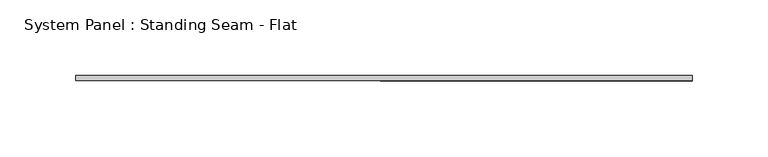
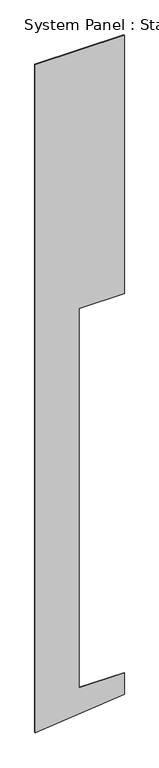
"""IFC4 building model written with IfcOpenShell, lengths in millimetres: plate geometry, System Panel : Standing Seam - Flat."""

from ifc_helpers import new_model, si_unit, frame, origin, place, context, project, spatial, polyline, outline, extrude, source, transform, mapped, element, save


def system_panel_standing_seam_flat_7fee6ee8(model_context):
    return source(origin(), model_context, "Body", "SweptSolid", [
        extrude(outline(polyline([(0.0, -203.2), (41.2973855, 203.2), (144.9717712, 203.2), (144.9717712, -2.3400152), (1973.7717712, -2.3400152), (1973.7717712, 203.2), (3218.3717712, 203.2), (3218.3717712, -203.2), (0.0, -203.2)])), frame((0.0, -1.5875, 0.0), z_axis=(0.0, 1.0, 0.0), x_axis=(0.0, 0.0, 1.0)), (0.0, 0.0, 1.0), 3.175),
    ])


if __name__ == "__main__":
    model = new_model("IFC4")
    model_context = context("Model", 3, world=origin())
    ifc_project = project(units=[si_unit("LENGTHUNIT", "METRE", prefix="MILLI")], contexts=[model_context])
    site = spatial("IfcSite", under=ifc_project)
    building = spatial("IfcBuilding", under=site)
    placement = place(None, origin())
    system_panel_standing_seam_flat_shape = system_panel_standing_seam_flat_7fee6ee8(model_context)
    element("IfcPlate", 1, ObjectType="System Panel : Standing Seam - Flat", at=placement, inside=building, context=model_context, shape_type="MappedRepresentation", body=[
        mapped(system_panel_standing_seam_flat_shape, transform((0.0, 0.0, 0.0), x_axis=(1.0, 0.0, 0.0), y_axis=(0.0, 1.0, 0.0), z_axis=(0.0, 0.0, 1.0))),
    ])
    save(model, "model.ifc")
